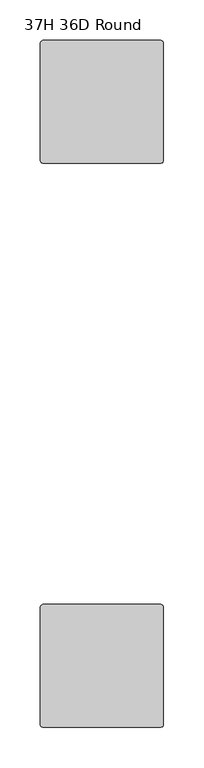
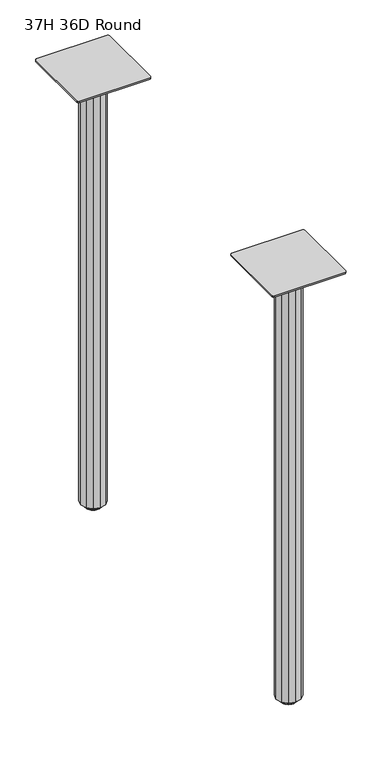
"""IFC4 building model written with IfcOpenShell, lengths in millimetres: furniture geometry, 37H 36D Round."""

from ifc_helpers import new_model, si_unit, frame, origin, place, context, project, spatial, polyline, circle_curve, outline, extrude, source, transform, mapped, element, save
from ifc_brep_helpers import plane_surface, cylinder_surface, revolved_surface, advanced_brep


def furniture_37h_36d_round_acc94619(model_context):
    return source(origin(), model_context, "Body", "SolidModel", [
        extrude(outline(polyline([(31.7508849, -733.2980259), (32.6436243, -731.1427636), (34.7988843, -730.2500265), (181.102881, -730.2500265), (183.2581455, -731.1427636), (184.1508781, -733.2980259), (184.1508781, -879.6020271), (183.2581455, -881.7572917), (181.1029194, -882.6500083), (34.7988459, -882.6500083), (32.6436243, -881.7572917), (31.7508849, -879.6020271), (31.7508849, -733.2980259)])), frame((0.0, 0.0, 949.4528623), z_axis=(0.0, 0.0, 1.0), x_axis=(1.0, 0.0, 0.0)), (0.0, 0.0, 1.0), 3.048),
        extrude(outline(polyline([(107.9508872, -82.550003), (120.6508842, -85.9529657), (129.9479275, -95.2500068), (133.3508811, -107.9500038), (129.9479275, -120.6500008), (120.6508842, -129.9470555), (107.9508872, -133.3500091), (95.2508811, -129.9470555), (85.9538378, -120.6500008), (82.5508842, -107.9500038), (85.9538378, -95.2500068), (95.2508811, -85.9529657), (107.9508872, -82.550003)])), frame((0.0, 0.0, 10.1608624), z_axis=(0.0, 0.0, 1.0), x_axis=(1.0, 0.0, 0.0)), (0.0, 0.0, 1.0), 939.2919791),
        advanced_brep(
        [(107.9508872, -806.4500356, 11.1759893), (119.1268856, -806.4500356, 11.1759893), (96.7748888, -806.4500356, 11.1759893), (95.2064298, -806.4500356, 0.0), (120.6953446, -806.4500356, 0.0), (107.9508872, -806.4500356, 0.0), (92.111765, -806.4500356, 0.4083326), (123.7900094, -806.4500356, 0.4083326), (90.7852289, -806.4500356, 2.0055462), (125.1165454, -806.4500356, 2.0055462), (90.7852289, -806.4500356, 4.3444296), (125.1165454, -806.4500356, 4.3444296), (92.111765, -806.4500356, 5.9416431), (123.7900094, -806.4500356, 5.9416431), (93.6849338, -806.4500356, 6.3499758), (122.2168405, -806.4500356, 6.3499758), (96.7748888, -806.4500356, 6.3499758), (119.1268856, -806.4500356, 6.3499758)],
        [
            (0, 1),
            (1, 2, circle_curve(frame((107.9508872, -806.4500356, 11.1759893), z_axis=(0.0, 0.0, 1.0), x_axis=(1.0, 0.0, 0.0)), 11.1759984)),
            (2, 0),
            (2, 1, circle_curve(frame((107.9508872, -806.4500356, 11.1759893), z_axis=(0.0, 0.0, 1.0), x_axis=(1.0, 0.0, 0.0)), 11.1759984)),
            (3, 4, circle_curve(frame((107.9508872, -806.4500356, 0.0), z_axis=(0.0, 0.0, -1.0), x_axis=(1.0, 0.0, 0.0)), 12.7444574)),
            (4, 5),
            (5, 3),
            (4, 3, circle_curve(frame((107.9508872, -806.4500356, 0.0), z_axis=(0.0, 0.0, -1.0), x_axis=(1.0, 0.0, 0.0)), 12.7444574)),
            (6, 7, circle_curve(frame((107.9508872, -806.4500356, 0.4083326), z_axis=(0.0, 0.0, -1.0), x_axis=(1.0, 0.0, 0.0)), 15.8391222)),
            (7, 4),
            (3, 6),
            (7, 6, circle_curve(frame((107.9508872, -806.4500356, 0.4083326), z_axis=(0.0, 0.0, -1.0), x_axis=(1.0, 0.0, 0.0)), 15.8391222)),
            (8, 9, circle_curve(frame((107.9508872, -806.4500356, 2.0055462), z_axis=(0.0, 0.0, -1.0), x_axis=(1.0, 0.0, 0.0)), 17.1656583)),
            (9, 7),
            (6, 8),
            (9, 8, circle_curve(frame((107.9508872, -806.4500356, 2.0055462), z_axis=(0.0, 0.0, -1.0), x_axis=(1.0, 0.0, 0.0)), 17.1656583)),
            (10, 11, circle_curve(frame((107.9508872, -806.4500356, 4.3444296), z_axis=(0.0, 0.0, -1.0), x_axis=(1.0, 0.0, 0.0)), 17.1656583)),
            (11, 9),
            (8, 10),
            (11, 10, circle_curve(frame((107.9508872, -806.4500356, 4.3444296), z_axis=(0.0, 0.0, -1.0), x_axis=(1.0, 0.0, 0.0)), 17.1656583)),
            (12, 13, circle_curve(frame((107.9508872, -806.4500356, 5.9416431), z_axis=(0.0, 0.0, -1.0), x_axis=(1.0, 0.0, 0.0)), 15.8391222)),
            (13, 11),
            (10, 12),
            (13, 12, circle_curve(frame((107.9508872, -806.4500356, 5.9416431), z_axis=(0.0, 0.0, -1.0), x_axis=(1.0, 0.0, 0.0)), 15.8391222)),
            (14, 15, circle_curve(frame((107.9508872, -806.4500356, 6.3499758), z_axis=(0.0, 0.0, -1.0), x_axis=(1.0, 0.0, 0.0)), 14.2659534)),
            (15, 13),
            (12, 14),
            (15, 14, circle_curve(frame((107.9508872, -806.4500356, 6.3499758), z_axis=(0.0, 0.0, -1.0), x_axis=(1.0, 0.0, 0.0)), 14.2659534)),
            (16, 17, circle_curve(frame((107.9508872, -806.4500356, 6.3499758), z_axis=(0.0, 0.0, -1.0), x_axis=(1.0, 0.0, 0.0)), 11.1759984)),
            (17, 15),
            (14, 16),
            (17, 16, circle_curve(frame((107.9508872, -806.4500356, 6.3499758), z_axis=(0.0, 0.0, -1.0), x_axis=(1.0, 0.0, 0.0)), 11.1759984)),
            (1, 17),
            (16, 2),
        ],
        [
            plane_surface(frame((107.9508872, -806.4500356, 11.1759893), z_axis=(0.0, 0.0, 1.0), x_axis=(1.0, 0.0, 0.0))),
            plane_surface(frame((107.9508872, -806.4500356, 0.0), z_axis=(0.0, 0.0, -1.0), x_axis=(1.0, 0.0, 0.0))),
            revolved_surface(polyline([(120.6953446, -806.4500356, 0.0), (123.7900094, -806.4500356, 0.4083326)]), (107.9508872, -806.4500356, 11.1759893), (0.0, 0.0, 1.0)),
            revolved_surface(polyline([(123.7900094, -806.4500356, 0.4083326), (125.1165454, -806.4500356, 2.0055462)]), (107.9508872, -806.4500356, 11.1759893), (0.0, 0.0, 1.0)),
            cylinder_surface(frame((107.9508872, -806.4500356, 11.1759893), z_axis=(0.0, 0.0, 1.0), x_axis=(1.0, 0.0, 0.0)), 17.1656583),
            revolved_surface(polyline([(125.1165454, -806.4500356, 4.3444296), (123.7900094, -806.4500356, 5.9416431)]), (107.9508872, -806.4500356, 11.1759893), (0.0, 0.0, 1.0)),
            revolved_surface(polyline([(123.7900094, -806.4500356, 5.9416431), (122.2168405, -806.4500356, 6.3499758)]), (107.9508872, -806.4500356, 11.1759893), (0.0, 0.0, 1.0)),
            plane_surface(frame((107.9508872, -806.4500356, 6.3499758), z_axis=(0.0, 0.0, 1.0), x_axis=(1.0, 0.0, 0.0))),
            cylinder_surface(frame((107.9508872, -806.4500356, 11.1759893), z_axis=(0.0, 0.0, 1.0), x_axis=(1.0, 0.0, 0.0)), 11.1759984),
        ],
        [
            (0, [[1, 2, 3]]),
            (0, [[-3, 4, -1]]),
            (1, [[5, 6, 7]]),
            (1, [[8, -7, -6]]),
            (2, [[9, 10, -5, 11]]),
            (2, [[12, -11, -8, -10]]),
            (3, [[13, 14, -9, 15]]),
            (3, [[16, -15, -12, -14]]),
            (4, [[17, 18, -13, 19]]),
            (4, [[20, -19, -16, -18]]),
            (5, [[21, 22, -17, 23]]),
            (5, [[24, -23, -20, -22]]),
            (6, [[25, 26, -21, 27]]),
            (6, [[28, -27, -24, -26]]),
            (7, [[29, 30, -25, 31]]),
            (7, [[32, -31, -28, -30]]),
            (8, [[-2, 33, -29, 34]]),
            (8, [[-4, -34, -32, -33]]),
        ],
    ),
        advanced_brep(
        [(107.9508872, -107.9500061, 11.1759893), (119.1268856, -107.9500061, 11.1759893), (96.7748888, -107.9500061, 11.1759893), (95.2064298, -107.9500061, 0.0), (120.6953446, -107.9500061, 0.0), (107.9508872, -107.9500061, 0.0), (92.111765, -107.9500061, 0.4083326), (123.7900094, -107.9500061, 0.4083326), (90.7852289, -107.9500061, 2.0055462), (125.1165454, -107.9500061, 2.0055462), (90.7852289, -107.9500061, 4.3444296), (125.1165454, -107.9500061, 4.3444296), (92.111765, -107.9500061, 5.9416431), (123.7900094, -107.9500061, 5.9416431), (93.6849338, -107.9500061, 6.3499758), (122.2168405, -107.9500061, 6.3499758), (96.7748888, -107.9500061, 6.3499758), (119.1268856, -107.9500061, 6.3499758)],
        [
            (0, 1),
            (1, 2, circle_curve(frame((107.9508872, -107.9500061, 11.1759893), z_axis=(0.0, 0.0, 1.0), x_axis=(1.0, 0.0, 0.0)), 11.1759984)),
            (2, 0),
            (2, 1, circle_curve(frame((107.9508872, -107.9500061, 11.1759893), z_axis=(0.0, 0.0, 1.0), x_axis=(1.0, 0.0, 0.0)), 11.1759984)),
            (3, 4, circle_curve(frame((107.9508872, -107.9500061, 0.0), z_axis=(0.0, 0.0, -1.0), x_axis=(1.0, 0.0, 0.0)), 12.7444574)),
            (4, 5),
            (5, 3),
            (4, 3, circle_curve(frame((107.9508872, -107.9500061, 0.0), z_axis=(0.0, 0.0, -1.0), x_axis=(1.0, 0.0, 0.0)), 12.7444574)),
            (6, 7, circle_curve(frame((107.9508872, -107.9500061, 0.4083326), z_axis=(0.0, 0.0, -1.0), x_axis=(1.0, 0.0, 0.0)), 15.8391222)),
            (7, 4),
            (3, 6),
            (7, 6, circle_curve(frame((107.9508872, -107.9500061, 0.4083326), z_axis=(0.0, 0.0, -1.0), x_axis=(1.0, 0.0, 0.0)), 15.8391222)),
            (8, 9, circle_curve(frame((107.9508872, -107.9500061, 2.0055462), z_axis=(0.0, 0.0, -1.0), x_axis=(1.0, 0.0, 0.0)), 17.1656583)),
            (9, 7),
            (6, 8),
            (9, 8, circle_curve(frame((107.9508872, -107.9500061, 2.0055462), z_axis=(0.0, 0.0, -1.0), x_axis=(1.0, 0.0, 0.0)), 17.1656583)),
            (10, 11, circle_curve(frame((107.9508872, -107.9500061, 4.3444296), z_axis=(0.0, 0.0, -1.0), x_axis=(1.0, 0.0, 0.0)), 17.1656583)),
            (11, 9),
            (8, 10),
            (11, 10, circle_curve(frame((107.9508872, -107.9500061, 4.3444296), z_axis=(0.0, 0.0, -1.0), x_axis=(1.0, 0.0, 0.0)), 17.1656583)),
            (12, 13, circle_curve(frame((107.9508872, -107.9500061, 5.9416431), z_axis=(0.0, 0.0, -1.0), x_axis=(1.0, 0.0, 0.0)), 15.8391222)),
            (13, 11),
            (10, 12),
            (13, 12, circle_curve(frame((107.9508872, -107.9500061, 5.9416431), z_axis=(0.0, 0.0, -1.0), x_axis=(1.0, 0.0, 0.0)), 15.8391222)),
            (14, 15, circle_curve(frame((107.9508872, -107.9500061, 6.3499758), z_axis=(0.0, 0.0, -1.0), x_axis=(1.0, 0.0, 0.0)), 14.2659534)),
            (15, 13),
            (12, 14),
            (15, 14, circle_curve(frame((107.9508872, -107.9500061, 6.3499758), z_axis=(0.0, 0.0, -1.0), x_axis=(1.0, 0.0, 0.0)), 14.2659534)),
            (16, 17, circle_curve(frame((107.9508872, -107.9500061, 6.3499758), z_axis=(0.0, 0.0, -1.0), x_axis=(1.0, 0.0, 0.0)), 11.1759984)),
            (17, 15),
            (14, 16),
            (17, 16, circle_curve(frame((107.9508872, -107.9500061, 6.3499758), z_axis=(0.0, 0.0, -1.0), x_axis=(1.0, 0.0, 0.0)), 11.1759984)),
            (1, 17),
            (16, 2),
        ],
        [
            plane_surface(frame((107.9508872, -107.9500061, 11.1759893), z_axis=(0.0, 0.0, 1.0), x_axis=(1.0, 0.0, 0.0))),
            plane_surface(frame((107.9508872, -107.9500061, 0.0), z_axis=(0.0, 0.0, -1.0), x_axis=(1.0, 0.0, 0.0))),
            revolved_surface(polyline([(120.6953446, -107.9500061, 0.0), (123.7900094, -107.9500061, 0.4083326)]), (107.9508872, -107.9500061, 11.1759893), (0.0, 0.0, 1.0)),
            revolved_surface(polyline([(123.7900094, -107.9500061, 0.4083326), (125.1165454, -107.9500061, 2.0055462)]), (107.9508872, -107.9500061, 11.1759893), (0.0, 0.0, 1.0)),
            cylinder_surface(frame((107.9508872, -107.9500061, 11.1759893), z_axis=(0.0, 0.0, 1.0), x_axis=(1.0, 0.0, 0.0)), 17.1656583),
            revolved_surface(polyline([(125.1165454, -107.9500061, 4.3444296), (123.7900094, -107.9500061, 5.9416431)]), (107.9508872, -107.9500061, 11.1759893), (0.0, 0.0, 1.0)),
            revolved_surface(polyline([(123.7900094, -107.9500061, 5.9416431), (122.2168405, -107.9500061, 6.3499758)]), (107.9508872, -107.9500061, 11.1759893), (0.0, 0.0, 1.0)),
            plane_surface(frame((107.9508872, -107.9500061, 6.3499758), z_axis=(0.0, 0.0, 1.0), x_axis=(1.0, 0.0, 0.0))),
            cylinder_surface(frame((107.9508872, -107.9500061, 11.1759893), z_axis=(0.0, 0.0, 1.0), x_axis=(1.0, 0.0, 0.0)), 11.1759984),
        ],
        [
            (0, [[1, 2, 3]]),
            (0, [[-3, 4, -1]]),
            (1, [[5, 6, 7]]),
            (1, [[8, -7, -6]]),
            (2, [[9, 10, -5, 11]]),
            (2, [[12, -11, -8, -10]]),
            (3, [[13, 14, -9, 15]]),
            (3, [[16, -15, -12, -14]]),
            (4, [[17, 18, -13, 19]]),
            (4, [[20, -19, -16, -18]]),
            (5, [[21, 22, -17, 23]]),
            (5, [[24, -23, -20, -22]]),
            (6, [[25, 26, -21, 27]]),
            (6, [[28, -27, -24, -26]]),
            (7, [[29, 30, -25, 31]]),
            (7, [[32, -31, -28, -30]]),
            (8, [[-2, 33, -29, 34]]),
            (8, [[-4, -34, -32, -33]]),
        ],
    ),
        extrude(outline(polyline([(31.7508849, -34.7980077), (32.6436243, -32.6427454), (34.7988843, -31.7500083), (181.102881, -31.7500083), (183.2581455, -32.6427454), (184.1508781, -34.7980077), (184.1508781, -181.102009), (183.2581455, -183.2572735), (181.102881, -184.1500061), (34.7988843, -184.1500061), (32.6436243, -183.2572735), (31.7508849, -181.102009), (31.7508849, -34.7980077)])), frame((0.0, 0.0, 949.4528623), z_axis=(0.0, 0.0, 1.0), x_axis=(1.0, 0.0, 0.0)), (0.0, 0.0, 1.0), 3.048),
        extrude(outline(polyline([(107.9508872, -781.0500326), (120.6508842, -784.4529953), (129.9479275, -793.7500363), (133.3508811, -806.4500333), (129.9479275, -819.1500303), (120.6508842, -828.447085), (107.9508872, -831.8500386), (95.2508811, -828.447085), (85.9538378, -819.1500303), (82.5508842, -806.4500333), (85.9538378, -793.7500363), (95.2508811, -784.4529953), (107.9508872, -781.0500326)])), frame((0.0, 0.0, 10.1608624), z_axis=(0.0, 0.0, 1.0), x_axis=(1.0, 0.0, 0.0)), (0.0, 0.0, 1.0), 939.292),
    ])


if __name__ == "__main__":
    model = new_model("IFC4")
    model_context = context("Model", 3, world=origin())
    ifc_project = project(units=[si_unit("LENGTHUNIT", "METRE", prefix="MILLI")], contexts=[model_context])
    site = spatial("IfcSite", under=ifc_project)
    building = spatial("IfcBuilding", under=site)
    placement = place(None, origin())
    furniture_37h_36d_round_shape = furniture_37h_36d_round_acc94619(model_context)
    element("IfcFurniture", 1, ObjectType="37H 36D Round", at=placement, inside=building, context=model_context, shape_type="MappedRepresentation", body=[
        mapped(furniture_37h_36d_round_shape, transform((0.0, 0.0, 0.0), x_axis=(1.0, 0.0, 0.0), y_axis=(0.0, 1.0, 0.0), z_axis=(0.0, 0.0, 1.0))),
    ])
    save(model, "model.ifc")
